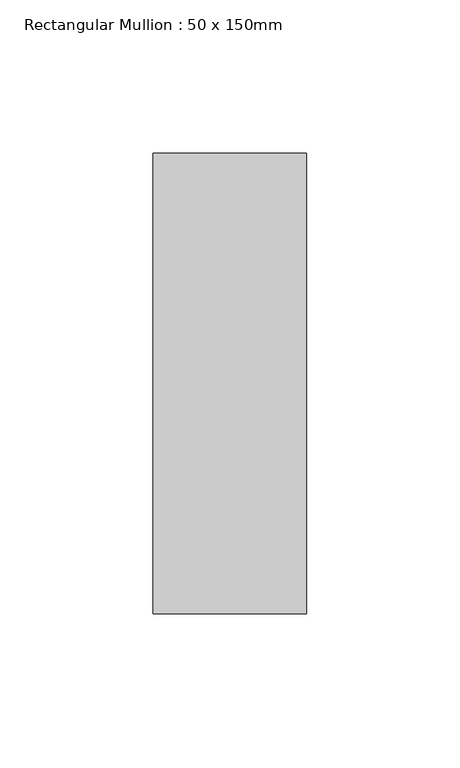
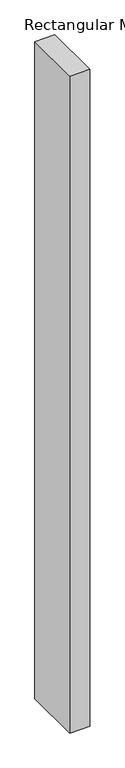
"""IFC4 building model written with IfcOpenShell, lengths in millimetres: member geometry, Rectangular Mullion : 50 x 150mm."""

import ifcopenshell
import ifcopenshell.guid

model = None  # the IFC model being written
_history = None  # IfcOwnerHistory: only IFC2X3 demands one
_inside = {}  # id of a spatial element -> (the spatial element, [elements in it])
_under = {}  # id of a project, library or spatial element -> (it, [spatial elements below it])
_declared = {}  # id of a project -> (the project, [libraries it declares])
_typed = {}  # id of a type object -> (the type object, [elements of that type])
_made_of = {}  # id of a material, layer set ... -> (it, [elements and type objects made of it])


def new_model(schema):
    """Start an empty IFC model of exactly this schema.

    Asked for "IFC4X3", IfcOpenShell would pick the latest addendum, in which some entities
    have other attributes; the version numbers below select the first issue.
    IFC2X3 requires an IfcOwnerHistory on every rooted entity: one is made here for all.
    """
    global model, _history
    if schema == "IFC4X3":
        model = ifcopenshell.file(schema_version=(4, 3, 0, 0))
    else:
        model = ifcopenshell.file(schema=schema)
    _inside.clear()
    _under.clear()
    _declared.clear()
    _typed.clear()
    _made_of.clear()
    _history = None
    if model.schema == "IFC2X3":
        org = make("IfcOrganization", Name="unknown")
        user = make(
            "IfcPersonAndOrganization",
            ThePerson=make("IfcPerson", FamilyName="unknown"),
            TheOrganization=org,
        )
        app = make(
            "IfcApplication",
            ApplicationDeveloper=org,
            Version="unknown",
            ApplicationFullName="unknown",
            ApplicationIdentifier="unknown",
        )
        _history = make(
            "IfcOwnerHistory",
            OwningUser=user,
            OwningApplication=app,
            ChangeAction="ADDED",
            CreationDate=0,
        )
    return model


def make(cls, **values):
    """One entity of the class cls with the attributes given. An attribute that is None is left unset."""
    return model.create_entity(
        cls, **{name: value for name, value in values.items() if value is not None}
    )


def rooted(cls, **values):
    """An entity with a GlobalId (a new one), such as an element, a storey or a relation."""
    return make(cls, GlobalId=ifcopenshell.guid.new(), OwnerHistory=_history, **values)


def si_unit(unit_type, name, prefix=None):
    """IfcSIUnit, for example si_unit("LENGTHUNIT", "METRE", prefix="MILLI")."""
    return make("IfcSIUnit", UnitType=unit_type, Prefix=prefix, Name=name)


def assignment(units):
    """IfcUnitAssignment: the units of a project."""
    return None if units is None else make("IfcUnitAssignment", Units=units)


def point(xyz):
    """IfcCartesianPoint."""
    return None if xyz is None else make("IfcCartesianPoint", Coordinates=xyz)


def direction(xyz):
    """IfcDirection."""
    return None if xyz is None else make("IfcDirection", DirectionRatios=xyz)


def frame(location, z_axis=None, x_axis=None):
    """IfcAxis2Placement3D, a coordinate frame: its origin and axes. An axis left out is left unset."""
    return make(
        "IfcAxis2Placement3D",
        Location=point(location),
        Axis=direction(z_axis),
        RefDirection=direction(x_axis),
    )


def origin():
    """The frame at (0, 0, 0) with its axes left unset."""
    return frame((0.0, 0.0, 0.0))


def place(relative_to, where):
    """IfcLocalPlacement: puts the frame where relative to a parent placement (None: the world)."""
    return make(
        "IfcLocalPlacement", PlacementRelTo=relative_to, RelativePlacement=where
    )


def context(
    kind, dimensions, precision=None, world=None, true_north=None, identifier=None
):
    """IfcGeometricRepresentationContext, for example the 3D "Model" context."""
    return make(
        "IfcGeometricRepresentationContext",
        ContextIdentifier=identifier,
        ContextType=kind,
        CoordinateSpaceDimension=dimensions,
        Precision=precision,
        WorldCoordinateSystem=world,
        TrueNorth=true_north,
    )


def project(units=None, contexts=None):
    """IfcProject with its units and contexts."""
    return rooted(
        "IfcProject",
        Name="project",
        RepresentationContexts=contexts,
        UnitsInContext=assignment(units),
    )


def spatial(cls, under=None, at=None, **own):
    """A site, building, storey or space (cls), placed at a placement, below another one or the project."""
    s = rooted(cls, ObjectPlacement=at, **own)
    if under is not None:
        _under.setdefault(under.id(), (under, []))[1].append(s)
    return s


def polyline(points):
    """IfcPolyline through the points."""
    return make("IfcPolyline", Points=[point(p) for p in points])


def outline(outer, holes=None, kind="AREA"):
    """IfcArbitraryClosedProfileDef: a profile drawn as a closed curve; with holes, ...WithVoids."""
    if holes is None:
        return make("IfcArbitraryClosedProfileDef", ProfileType=kind, OuterCurve=outer)
    return make(
        "IfcArbitraryProfileDefWithVoids",
        ProfileType=kind,
        OuterCurve=outer,
        InnerCurves=holes,
    )


def extrude(swept, where, along, depth):
    """IfcExtrudedAreaSolid: the profile swept, set in the frame where, extruded along a direction by depth."""
    return make(
        "IfcExtrudedAreaSolid",
        SweptArea=swept,
        Position=where,
        ExtrudedDirection=direction(along),
        Depth=depth,
    )


def shape(context_of_items, identifier, shape_type, items):
    """IfcShapeRepresentation: the items that make up one representation, for example the "Body"."""
    return make(
        "IfcShapeRepresentation",
        ContextOfItems=context_of_items,
        RepresentationIdentifier=identifier,
        RepresentationType=shape_type,
        Items=items,
    )


def source(mapping_origin, context_of_items, identifier, shape_type, items):
    """IfcRepresentationMap: a shape defined once, which mapped items show again and again."""
    return make(
        "IfcRepresentationMap",
        MappingOrigin=mapping_origin,
        MappedRepresentation=shape(context_of_items, identifier, shape_type, items),
    )


def transform(
    local_origin,
    x_axis=None,
    y_axis=None,
    z_axis=None,
    scale=None,
    scale2=None,
    scale3=None,
    uniform=True,
):
    """IfcCartesianTransformationOperator3D, or its non-uniform kind. x_axis, y_axis, z_axis: its Axis1, 2, 3."""
    if uniform:
        return make(
            "IfcCartesianTransformationOperator3D",
            Axis1=direction(x_axis),
            Axis2=direction(y_axis),
            LocalOrigin=point(local_origin),
            Scale=scale,
            Axis3=direction(z_axis),
        )
    return make(
        "IfcCartesianTransformationOperator3DnonUniform",
        Axis1=direction(x_axis),
        Axis2=direction(y_axis),
        LocalOrigin=point(local_origin),
        Scale=scale,
        Axis3=direction(z_axis),
        Scale2=scale2,
        Scale3=scale3,
    )


def mapped(mapping_source, mapping_target):
    """IfcMappedItem: shows the shape of a source again, moved by a transform."""
    return make(
        "IfcMappedItem", MappingSource=mapping_source, MappingTarget=mapping_target
    )


def made_of(thing, what):
    """Note that an element or type object is made of a material, layer set ...; save() writes the relation."""
    if what is not None:
        _made_of.setdefault(what.id(), (what, []))[1].append(thing)
    return thing


def element(
    cls,
    number,
    at=None,
    inside=None,
    cuts=None,
    type_object=None,
    material=None,
    context=None,
    identifier="Body",
    shape_type=None,
    held_by="IfcProductDefinitionShape",
    body=None,
    shapes=None,
    **own,
):
    """One element of the class cls, such as IfcWall. Its Tag is "e" and its number.

    at: its placement. inside: the storey or other place that contains it. cuts: it is an
    opening in that element (IfcRelVoidsElement). A single representation is given by context,
    identifier, shape_type and body (its items); several are given by shapes. held_by: the class
    of the entity that holds the representations. save() writes the other relations.
    """
    e = rooted(cls, Tag="e%d" % number, ObjectPlacement=at, **own)
    if body is not None:
        shapes = [shape(context, identifier, shape_type, body)]
    if shapes is not None:
        e.Representation = make(held_by, Representations=shapes)
    if inside is not None:
        _inside.setdefault(inside.id(), (inside, []))[1].append(e)
    if cuts is not None:
        rooted(
            "IfcRelVoidsElement", RelatingBuildingElement=cuts, RelatedOpeningElement=e
        )
    if type_object is not None:
        _typed.setdefault(type_object.id(), (type_object, []))[1].append(e)
    return made_of(e, material)


def aggregate(whole, parts):
    """IfcRelAggregates: a whole, such as a stair, and the parts it consists of."""
    return rooted("IfcRelAggregates", RelatingObject=whole, RelatedObjects=parts)


def save(model, path):
    """Write the relations noted so far, then the file.

    IfcRelAggregates (storeys below a building ...), IfcRelContainedInSpatialStructure (elements
    in a storey), IfcRelDefinesByType, IfcRelAssociatesMaterial and IfcRelDeclares: one each for
    every whole, place, type object, material and project.
    """
    for whole, parts in _under.values():
        aggregate(whole, parts)
    for where, things in _inside.values():
        rooted(
            "IfcRelContainedInSpatialStructure",
            RelatedElements=things,
            RelatingStructure=where,
        )
    for kind, things in _typed.values():
        rooted("IfcRelDefinesByType", RelatedObjects=things, RelatingType=kind)
    for what, things in _made_of.values():
        rooted("IfcRelAssociatesMaterial", RelatedObjects=things, RelatingMaterial=what)
    for by, libraries in _declared.values():
        rooted("IfcRelDeclares", RelatingContext=by, RelatedDefinitions=libraries)
    model.write(path)


def rectangular_mullion_50_x_150mm_1782af9b(model_context):
    return source(origin(), model_context, "Body", "SweptSolid", [
        extrude(outline(polyline([(25.0, 75.0), (25.0, -75.0), (-25.0, -75.0), (-25.0, 75.0), (25.0, 75.0)])), frame((0.0, 0.0, -1731.8845484), z_axis=(0.0, 0.0, 1.0), x_axis=(1.0, 0.0, 0.0)), (0.0, 0.0, 1.0), 1731.8845484),
    ])


if __name__ == "__main__":
    model = new_model("IFC4")
    model_context = context("Model", 3, world=origin())
    ifc_project = project(units=[si_unit("LENGTHUNIT", "METRE", prefix="MILLI")], contexts=[model_context])
    site = spatial("IfcSite", under=ifc_project)
    building = spatial("IfcBuilding", under=site)
    placement = place(None, origin())
    rectangular_mullion_50_x_150mm_shape = rectangular_mullion_50_x_150mm_1782af9b(model_context)
    element("IfcMember", 1, ObjectType="Rectangular Mullion : 50 x 150mm", at=placement, inside=building, context=model_context, shape_type="MappedRepresentation", body=[
        mapped(rectangular_mullion_50_x_150mm_shape, transform((0.0, 0.0, 0.0), x_axis=(1.0, 0.0, 0.0), y_axis=(0.0, 1.0, 0.0), z_axis=(0.0, 0.0, 1.0))),
    ])
    save(model, "model.ifc")
